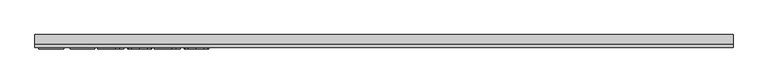
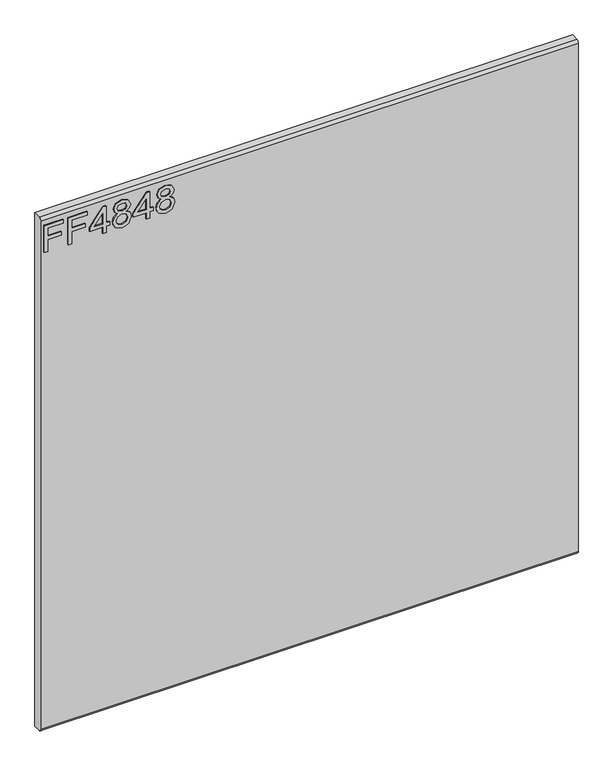
"""IFC4 building model written with IfcOpenShell, lengths in millimetres: furniture geometry."""

import ifcopenshell
import ifcopenshell.guid

model = None  # the IFC model being written
_history = None  # IfcOwnerHistory: only IFC2X3 demands one
_inside = {}  # id of a spatial element -> (the spatial element, [elements in it])
_under = {}  # id of a project, library or spatial element -> (it, [spatial elements below it])
_declared = {}  # id of a project -> (the project, [libraries it declares])
_typed = {}  # id of a type object -> (the type object, [elements of that type])
_made_of = {}  # id of a material, layer set ... -> (it, [elements and type objects made of it])


def new_model(schema):
    """Start an empty IFC model of exactly this schema.

    Asked for "IFC4X3", IfcOpenShell would pick the latest addendum, in which some entities
    have other attributes; the version numbers below select the first issue.
    IFC2X3 requires an IfcOwnerHistory on every rooted entity: one is made here for all.
    """
    global model, _history
    if schema == "IFC4X3":
        model = ifcopenshell.file(schema_version=(4, 3, 0, 0))
    else:
        model = ifcopenshell.file(schema=schema)
    _inside.clear()
    _under.clear()
    _declared.clear()
    _typed.clear()
    _made_of.clear()
    _history = None
    if model.schema == "IFC2X3":
        org = make("IfcOrganization", Name="unknown")
        user = make(
            "IfcPersonAndOrganization",
            ThePerson=make("IfcPerson", FamilyName="unknown"),
            TheOrganization=org,
        )
        app = make(
            "IfcApplication",
            ApplicationDeveloper=org,
            Version="unknown",
            ApplicationFullName="unknown",
            ApplicationIdentifier="unknown",
        )
        _history = make(
            "IfcOwnerHistory",
            OwningUser=user,
            OwningApplication=app,
            ChangeAction="ADDED",
            CreationDate=0,
        )
    return model


def make(cls, **values):
    """One entity of the class cls with the attributes given. An attribute that is None is left unset."""
    return model.create_entity(
        cls, **{name: value for name, value in values.items() if value is not None}
    )


def rooted(cls, **values):
    """An entity with a GlobalId (a new one), such as an element, a storey or a relation."""
    return make(cls, GlobalId=ifcopenshell.guid.new(), OwnerHistory=_history, **values)


def si_unit(unit_type, name, prefix=None):
    """IfcSIUnit, for example si_unit("LENGTHUNIT", "METRE", prefix="MILLI")."""
    return make("IfcSIUnit", UnitType=unit_type, Prefix=prefix, Name=name)


def assignment(units):
    """IfcUnitAssignment: the units of a project."""
    return None if units is None else make("IfcUnitAssignment", Units=units)


def point(xyz):
    """IfcCartesianPoint."""
    return None if xyz is None else make("IfcCartesianPoint", Coordinates=xyz)


def direction(xyz):
    """IfcDirection."""
    return None if xyz is None else make("IfcDirection", DirectionRatios=xyz)


def frame(location, z_axis=None, x_axis=None):
    """IfcAxis2Placement3D, a coordinate frame: its origin and axes. An axis left out is left unset."""
    return make(
        "IfcAxis2Placement3D",
        Location=point(location),
        Axis=direction(z_axis),
        RefDirection=direction(x_axis),
    )


def origin():
    """The frame at (0, 0, 0) with its axes left unset."""
    return frame((0.0, 0.0, 0.0))


def place(relative_to, where):
    """IfcLocalPlacement: puts the frame where relative to a parent placement (None: the world)."""
    return make(
        "IfcLocalPlacement", PlacementRelTo=relative_to, RelativePlacement=where
    )


def context(
    kind, dimensions, precision=None, world=None, true_north=None, identifier=None
):
    """IfcGeometricRepresentationContext, for example the 3D "Model" context."""
    return make(
        "IfcGeometricRepresentationContext",
        ContextIdentifier=identifier,
        ContextType=kind,
        CoordinateSpaceDimension=dimensions,
        Precision=precision,
        WorldCoordinateSystem=world,
        TrueNorth=true_north,
    )


def project(units=None, contexts=None):
    """IfcProject with its units and contexts."""
    return rooted(
        "IfcProject",
        Name="project",
        RepresentationContexts=contexts,
        UnitsInContext=assignment(units),
    )


def spatial(cls, under=None, at=None, **own):
    """A site, building, storey or space (cls), placed at a placement, below another one or the project."""
    s = rooted(cls, ObjectPlacement=at, **own)
    if under is not None:
        _under.setdefault(under.id(), (under, []))[1].append(s)
    return s


def polyline(points):
    """IfcPolyline through the points."""
    return make("IfcPolyline", Points=[point(p) for p in points])


def circle_curve(where, radius):
    """IfcCircle in the frame where."""
    return make("IfcCircle", Position=where, Radius=radius)


def outline(outer, holes=None, kind="AREA"):
    """IfcArbitraryClosedProfileDef: a profile drawn as a closed curve; with holes, ...WithVoids."""
    if holes is None:
        return make("IfcArbitraryClosedProfileDef", ProfileType=kind, OuterCurve=outer)
    return make(
        "IfcArbitraryProfileDefWithVoids",
        ProfileType=kind,
        OuterCurve=outer,
        InnerCurves=holes,
    )


def extrude(swept, where, along, depth):
    """IfcExtrudedAreaSolid: the profile swept, set in the frame where, extruded along a direction by depth."""
    return make(
        "IfcExtrudedAreaSolid",
        SweptArea=swept,
        Position=where,
        ExtrudedDirection=direction(along),
        Depth=depth,
    )


def shape(context_of_items, identifier, shape_type, items):
    """IfcShapeRepresentation: the items that make up one representation, for example the "Body"."""
    return make(
        "IfcShapeRepresentation",
        ContextOfItems=context_of_items,
        RepresentationIdentifier=identifier,
        RepresentationType=shape_type,
        Items=items,
    )


def source(mapping_origin, context_of_items, identifier, shape_type, items):
    """IfcRepresentationMap: a shape defined once, which mapped items show again and again."""
    return make(
        "IfcRepresentationMap",
        MappingOrigin=mapping_origin,
        MappedRepresentation=shape(context_of_items, identifier, shape_type, items),
    )


def transform(
    local_origin,
    x_axis=None,
    y_axis=None,
    z_axis=None,
    scale=None,
    scale2=None,
    scale3=None,
    uniform=True,
):
    """IfcCartesianTransformationOperator3D, or its non-uniform kind. x_axis, y_axis, z_axis: its Axis1, 2, 3."""
    if uniform:
        return make(
            "IfcCartesianTransformationOperator3D",
            Axis1=direction(x_axis),
            Axis2=direction(y_axis),
            LocalOrigin=point(local_origin),
            Scale=scale,
            Axis3=direction(z_axis),
        )
    return make(
        "IfcCartesianTransformationOperator3DnonUniform",
        Axis1=direction(x_axis),
        Axis2=direction(y_axis),
        LocalOrigin=point(local_origin),
        Scale=scale,
        Axis3=direction(z_axis),
        Scale2=scale2,
        Scale3=scale3,
    )


def mapped(mapping_source, mapping_target):
    """IfcMappedItem: shows the shape of a source again, moved by a transform."""
    return make(
        "IfcMappedItem", MappingSource=mapping_source, MappingTarget=mapping_target
    )


def made_of(thing, what):
    """Note that an element or type object is made of a material, layer set ...; save() writes the relation."""
    if what is not None:
        _made_of.setdefault(what.id(), (what, []))[1].append(thing)
    return thing


def element(
    cls,
    number,
    at=None,
    inside=None,
    cuts=None,
    type_object=None,
    material=None,
    context=None,
    identifier="Body",
    shape_type=None,
    held_by="IfcProductDefinitionShape",
    body=None,
    shapes=None,
    **own,
):
    """One element of the class cls, such as IfcWall. Its Tag is "e" and its number.

    at: its placement. inside: the storey or other place that contains it. cuts: it is an
    opening in that element (IfcRelVoidsElement). A single representation is given by context,
    identifier, shape_type and body (its items); several are given by shapes. held_by: the class
    of the entity that holds the representations. save() writes the other relations.
    """
    e = rooted(cls, Tag="e%d" % number, ObjectPlacement=at, **own)
    if body is not None:
        shapes = [shape(context, identifier, shape_type, body)]
    if shapes is not None:
        e.Representation = make(held_by, Representations=shapes)
    if inside is not None:
        _inside.setdefault(inside.id(), (inside, []))[1].append(e)
    if cuts is not None:
        rooted(
            "IfcRelVoidsElement", RelatingBuildingElement=cuts, RelatedOpeningElement=e
        )
    if type_object is not None:
        _typed.setdefault(type_object.id(), (type_object, []))[1].append(e)
    return made_of(e, material)


def aggregate(whole, parts):
    """IfcRelAggregates: a whole, such as a stair, and the parts it consists of."""
    return rooted("IfcRelAggregates", RelatingObject=whole, RelatedObjects=parts)


def save(model, path):
    """Write the relations noted so far, then the file.

    IfcRelAggregates (storeys below a building ...), IfcRelContainedInSpatialStructure (elements
    in a storey), IfcRelDefinesByType, IfcRelAssociatesMaterial and IfcRelDeclares: one each for
    every whole, place, type object, material and project.
    """
    for whole, parts in _under.values():
        aggregate(whole, parts)
    for where, things in _inside.values():
        rooted(
            "IfcRelContainedInSpatialStructure",
            RelatedElements=things,
            RelatingStructure=where,
        )
    for kind, things in _typed.values():
        rooted("IfcRelDefinesByType", RelatedObjects=things, RelatingType=kind)
    for what, things in _made_of.values():
        rooted("IfcRelAssociatesMaterial", RelatedObjects=things, RelatingMaterial=what)
    for by, libraries in _declared.values():
        rooted("IfcRelDeclares", RelatingContext=by, RelatedDefinitions=libraries)
    model.write(path)


def plane_surface(at):
    """IfcPlane: the flat surface through the origin of the frame at, square to its z axis."""
    return make("IfcPlane", Position=at)


def cylinder_surface(at, radius):
    """IfcCylindricalSurface: all points at the distance radius from the z axis of the frame at."""
    return make("IfcCylindricalSurface", Position=at, Radius=radius)


def advanced_brep(points, edges, surfaces, faces):
    """IfcAdvancedBrep: a solid bounded by faces that lie on surfaces and meet in shared edges.

    An edge is (start, end): straight between two places in points (the first is 0);
    or (start, end, curve); or (start, end, curve, False) where it runs against its curve.
    A face is (place in surfaces, loops), or (place, loops, False) where it looks against
    its surface's normal. A loop lists edges by number (the first is 1), with a minus sign
    where the edge is run from its end to its start. The first loop is the outer one.
    """
    corners = [point(p) for p in points]
    vertices = [make("IfcVertexPoint", VertexGeometry=c) for c in corners]
    made = []
    for start, end, *more in edges:
        made.append(
            make(
                "IfcEdgeCurve",
                EdgeStart=vertices[start],
                EdgeEnd=vertices[end],
                EdgeGeometry=more[0] if more else make("IfcPolyline", Points=[corners[start], corners[end]]),
                SameSense=more[1] if len(more) > 1 else True,
            )
        )
    hull = []
    for where, loops, *sense in faces:
        bounds = []
        for j, loop in enumerate(loops):
            ring = [make("IfcOrientedEdge", EdgeElement=made[abs(k) - 1], Orientation=k > 0) for k in loop]
            bounds.append(
                make(
                    "IfcFaceOuterBound" if j == 0 else "IfcFaceBound",
                    Bound=make("IfcEdgeLoop", EdgeList=ring),
                    Orientation=True,
                )
            )
        hull.append(make("IfcAdvancedFace", Bounds=bounds, FaceSurface=surfaces[where], SameSense=sense[0] if sense else True))
    return make("IfcAdvancedBrep", Outer=make("IfcClosedShell", CfsFaces=hull))


def furniture_d6f8d28e(model_context):
    return source(origin(), model_context, "Body", "SolidModel", [
        extrude(outline(polyline([(1289.05, -596.2729953), (1289.05, -588.2992757), (1317.9547336, -588.2992757), (1317.9547336, -558.3978271), (1325.9284532, -558.3978271), (1325.9284532, -588.2992757), (1344.8660373, -588.2992757), (1344.8660373, -553.4142524), (1352.8397569, -553.4142524), (1352.8397569, -596.2729953), (1289.05, -596.2729953)])), frame((0.0, -15.0812439, 0.0), z_axis=(0.0, 1.0, 0.0), x_axis=(0.0, 0.0, 1.0)), (0.0, 0.0, 1.0), 2.38125),
        extrude(outline(polyline([(1289.05, -542.4503879), (1289.05, -534.4766683), (1317.9547336, -534.4766683), (1317.9547336, -504.5752197), (1325.9284532, -504.5752197), (1325.9284532, -534.4766683), (1344.8660373, -534.4766683), (1344.8660373, -499.591645), (1352.8397569, -499.591645), (1352.8397569, -542.4503879), (1289.05, -542.4503879)])), frame((0.0, -15.0812439, 0.0), z_axis=(0.0, 1.0, 0.0), x_axis=(0.0, 0.0, 1.0)), (0.0, 0.0, 1.0), 2.38125),
        extrude(outline(polyline([(1289.05, -465.7033366), (1289.05, -457.729617), (1304.0007243, -457.729617), (1304.0007243, -449.7558974), (1311.9744439, -449.7558974), (1311.9744439, -457.729617), (1351.843042, -457.729617), (1351.843042, -463.7099067), (1311.9744439, -494.6080702), (1304.0007243, -494.6080702), (1304.0007243, -465.7033366), (1289.05, -465.7033366)]), holes=[polyline([(1311.9744439, -465.7033366), (1311.9744439, -484.7966574), (1336.6119916, -465.7033366), (1311.9744439, -465.7033366)])]), frame((0.0, -15.0812439, 0.0), z_axis=(0.0, 1.0, 0.0), x_axis=(0.0, 0.0, 1.0)), (0.0, 0.0, 1.0), 2.38125),
        extrude(outline(polyline([(1324.1842021, -431.160934), (1318.3907964, -439.7576005), (1307.8318474, -442.7788927), (1300.0742125, -441.3383281), (1293.7143145, -437.0166344), (1289.4685424, -430.3433163), (1288.053285, -421.8478787), (1289.4627023, -413.3524411), (1293.690954, -406.679123), (1307.613816, -400.9168647), (1317.9313731, -403.8213544), (1324.1842021, -412.3012183), (1329.113269, -405.2385584), (1336.6275653, -402.9102946), (1348.1209346, -408.1430481), (1352.8397569, -421.9568944), (1348.2299503, -435.6461513), (1336.8455967, -440.7854628), (1329.1366295, -438.4260516), (1324.1842021, -431.160934)]), holes=[polyline([(1336.6119916, -432.8117432), (1342.4365446, -429.9384008), (1344.8660373, -421.8478787), (1342.3820368, -413.780717), (1336.2537972, -410.8840142), (1330.3358022, -413.687275), (1327.9218831, -421.7544367), (1330.3513758, -429.9851219), (1336.6119916, -432.8117432)]), polyline([(1308.1121735, -434.8051731), (1316.5686769, -431.4334733), (1319.9481635, -422.0503364), (1316.5219559, -412.3946603), (1307.8629947, -408.8905843), (1299.3675571, -412.2856446), (1296.0270047, -421.785584), (1297.6155191, -428.7625887), (1302.1085232, -433.4736242), (1308.1121735, -434.8051731)])]), frame((0.0, -15.0812439, 0.0), z_axis=(0.0, 1.0, 0.0), x_axis=(0.0, 0.0, 1.0)), (0.0, 0.0, 1.0), 2.38125),
        extrude(outline(polyline([(1289.05, -368.0252713), (1289.05, -360.0515516), (1304.0007243, -360.0515516), (1304.0007243, -352.077832), (1311.9744439, -352.077832), (1311.9744439, -360.0515516), (1351.843042, -360.0515516), (1351.843042, -366.0318414), (1311.9744439, -396.9300049), (1304.0007243, -396.9300049), (1304.0007243, -368.0252713), (1289.05, -368.0252713)]), holes=[polyline([(1311.9744439, -368.0252713), (1311.9744439, -387.1185921), (1336.6119916, -368.0252713), (1311.9744439, -368.0252713)])]), frame((0.0, -15.0812439, 0.0), z_axis=(0.0, 1.0, 0.0), x_axis=(0.0, 0.0, 1.0)), (0.0, 0.0, 1.0), 2.38125),
        extrude(outline(polyline([(1324.1842021, -333.4828687), (1318.3907964, -342.0795352), (1307.8318474, -345.1008274), (1300.0742125, -343.6602628), (1293.7143145, -339.338569), (1289.4685424, -332.665251), (1288.053285, -324.1698134), (1289.4627023, -315.6743758), (1293.690954, -309.0010577), (1307.613816, -303.2387994), (1317.9313731, -306.143289), (1324.1842021, -314.623153), (1329.113269, -307.5604931), (1336.6275653, -305.2322293), (1348.1209346, -310.4649828), (1352.8397569, -324.2788291), (1348.2299503, -337.968086), (1336.8455967, -343.1073975), (1329.1366295, -340.7479863), (1324.1842021, -333.4828687)]), holes=[polyline([(1336.6119916, -335.1336778), (1342.4365446, -332.2603355), (1344.8660373, -324.1698134), (1342.3820368, -316.1026517), (1336.2537972, -313.2059489), (1330.3358022, -316.0092097), (1327.9218831, -324.0763713), (1330.3513758, -332.3070565), (1336.6119916, -335.1336778)]), polyline([(1308.1121735, -337.1271077), (1316.5686769, -333.7554079), (1319.9481635, -324.3722711), (1316.5219559, -314.716595), (1307.8629947, -311.212519), (1299.3675571, -314.6075793), (1296.0270047, -324.1075187), (1297.6155191, -331.0845233), (1302.1085232, -335.7955589), (1308.1121735, -337.1271077)])]), frame((0.0, -15.0812439, 0.0), z_axis=(0.0, 1.0, 0.0), x_axis=(0.0, 0.0, 1.0)), (0.0, 0.0, 1.0), 2.38125),
        advanced_brep(
        [(603.25, 9.5250061, 1371.6), (603.25, -6.7309939, 1371.6), (603.25, -12.6999939, 1365.631), (603.25, -12.6999939, 158.369), (603.25, -6.7309939, 152.4), (603.25, 9.5250061, 152.4), (-603.25, 9.5250061, 1371.6), (-603.25, 9.5250061, 152.4), (-603.25, -6.7309939, 152.4), (-603.25, -12.6999939, 158.369), (-603.25, -12.6999939, 1365.6310121), (-603.25, -6.7309939, 1371.6)],
        [
            (0, 1),
            (1, 2, circle_curve(frame((603.25, -6.7309939, 1365.631), z_axis=(1.0, 0.0, 0.0), x_axis=(0.0, 1.0, 0.0)), 5.969)),
            (2, 3),
            (3, 4, circle_curve(frame((603.25, -6.7309939, 158.369), z_axis=(1.0, 0.0, 0.0), x_axis=(0.0, 1.0, 0.0)), 5.969)),
            (4, 5),
            (5, 0),
            (6, 7),
            (7, 8),
            (8, 9, circle_curve(frame((-603.25, -6.7309939, 158.369), z_axis=(-1.0, 0.0, 0.0), x_axis=(0.0, 1.0, 0.0)), 5.969)),
            (9, 10),
            (10, 11, circle_curve(frame((-603.25, -6.7309939, 1365.631), z_axis=(-1.0, 0.0, 0.0), x_axis=(0.0, 1.0, 0.0)), 5.969)),
            (11, 6),
            (0, 6),
            (11, 1),
            (10, 2),
            (9, 3),
            (8, 4),
            (7, 5),
        ],
        [
            plane_surface(frame((603.25, -6.7309939, 1371.6), z_axis=(1.0, 0.0, 0.0), x_axis=(0.0, -1.0, 0.0))),
            plane_surface(frame((-603.25, -6.7309939, 1371.6), z_axis=(-1.0, 0.0, 0.0), x_axis=(0.0, 1.0, 0.0))),
            plane_surface(frame((603.25, 9.5250061, 1371.6), z_axis=(0.0, 0.0, 1.0), x_axis=(-1.0, 0.0, 0.0))),
            cylinder_surface(frame((-603.25, -6.7309939, 1365.631), z_axis=(1.0, 0.0, 0.0), x_axis=(0.0, 1.0, 0.0)), 5.969),
            plane_surface(frame((603.25, -12.6999939, 1365.6310121), z_axis=(0.0, -1.0, 0.0), x_axis=(-1.0, 0.0, 0.0))),
            cylinder_surface(frame((-603.25, -6.7309939, 158.369), z_axis=(1.0, 0.0, 0.0), x_axis=(0.0, 1.0, 0.0)), 5.969),
            plane_surface(frame((603.25, -6.7309939, 152.4), z_axis=(0.0, 0.0, -1.0), x_axis=(-1.0, 0.0, 0.0))),
            plane_surface(frame((603.25, 9.5250061, 152.4), z_axis=(0.0, 1.0, 0.0), x_axis=(-1.0, 0.0, 0.0))),
        ],
        [
            (0, [[1, 2, 3, 4, 5, 6]]),
            (1, [[7, 8, 9, 10, 11, 12]]),
            (2, [[-1, 13, -12, 14]]),
            (3, [[-2, -14, -11, 15]]),
            (4, [[-3, -15, -10, 16]]),
            (5, [[-4, -16, -9, 17]]),
            (6, [[-5, -17, -8, 18]]),
            (7, [[-6, -18, -7, -13]]),
        ],
    ),
    ])


if __name__ == "__main__":
    model = new_model("IFC4")
    model_context = context("Model", 3, world=origin())
    ifc_project = project(units=[si_unit("LENGTHUNIT", "METRE", prefix="MILLI")], contexts=[model_context])
    site = spatial("IfcSite", under=ifc_project)
    building = spatial("IfcBuilding", under=site)
    placement = place(None, origin())
    furniture_shape = furniture_d6f8d28e(model_context)
    element("IfcFurniture", 1, at=placement, inside=building, context=model_context, shape_type="MappedRepresentation", body=[
        mapped(furniture_shape, transform((0.0, 0.0, 0.0), x_axis=(1.0, 0.0, 0.0), y_axis=(0.0, 1.0, 0.0), z_axis=(0.0, 0.0, 1.0))),
    ])
    save(model, "model.ifc")
